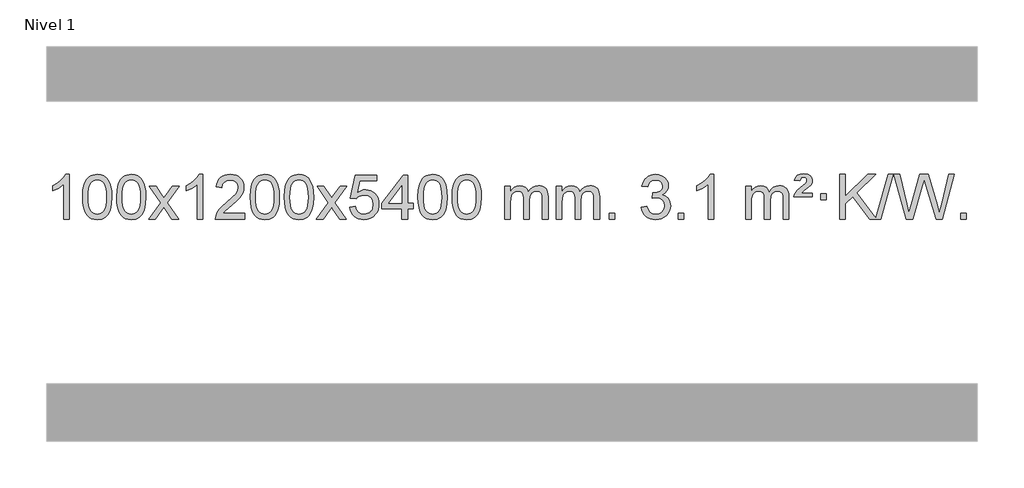
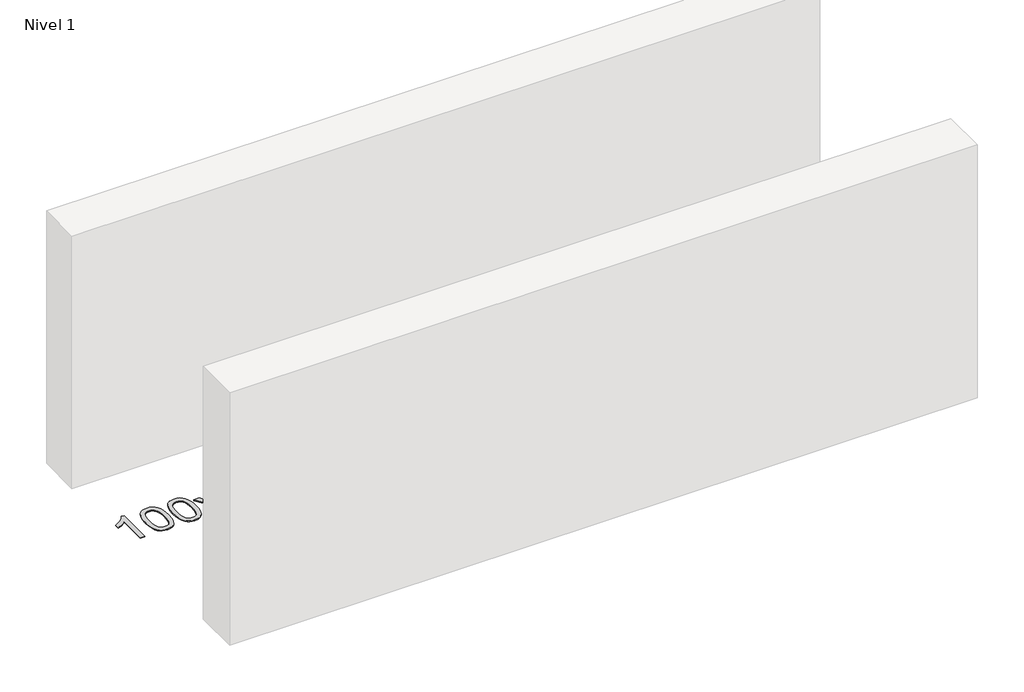
# One storey, part 4 of 15: 1 proxy.
"""IFC4 building model written with IfcOpenShell, lengths in millimetres."""

import ifcopenshell
import ifcopenshell.guid

model = None  # the IFC model being written
_history = None  # IfcOwnerHistory: only IFC2X3 demands one
_inside = {}  # id of a spatial element -> (the spatial element, [elements in it])
_under = {}  # id of a project, library or spatial element -> (it, [spatial elements below it])
_declared = {}  # id of a project -> (the project, [libraries it declares])
_typed = {}  # id of a type object -> (the type object, [elements of that type])
_made_of = {}  # id of a material, layer set ... -> (it, [elements and type objects made of it])


def new_model(schema):
    """Start an empty IFC model of exactly this schema.

    Asked for "IFC4X3", IfcOpenShell would pick the latest addendum, in which some entities
    have other attributes; the version numbers below select the first issue.
    IFC2X3 requires an IfcOwnerHistory on every rooted entity: one is made here for all.
    """
    global model, _history
    if schema == "IFC4X3":
        model = ifcopenshell.file(schema_version=(4, 3, 0, 0))
    else:
        model = ifcopenshell.file(schema=schema)
    _inside.clear()
    _under.clear()
    _declared.clear()
    _typed.clear()
    _made_of.clear()
    _history = None
    if model.schema == "IFC2X3":
        org = make("IfcOrganization", Name="unknown")
        user = make(
            "IfcPersonAndOrganization",
            ThePerson=make("IfcPerson", FamilyName="unknown"),
            TheOrganization=org,
        )
        app = make(
            "IfcApplication",
            ApplicationDeveloper=org,
            Version="unknown",
            ApplicationFullName="unknown",
            ApplicationIdentifier="unknown",
        )
        _history = make(
            "IfcOwnerHistory",
            OwningUser=user,
            OwningApplication=app,
            ChangeAction="ADDED",
            CreationDate=0,
        )
    return model


def make(cls, **values):
    """One entity of the class cls with the attributes given. An attribute that is None is left unset."""
    return model.create_entity(
        cls, **{name: value for name, value in values.items() if value is not None}
    )


def rooted(cls, **values):
    """An entity with a GlobalId (a new one), such as an element, a storey or a relation."""
    return make(cls, GlobalId=ifcopenshell.guid.new(), OwnerHistory=_history, **values)


def si_unit(unit_type, name, prefix=None):
    """IfcSIUnit, for example si_unit("LENGTHUNIT", "METRE", prefix="MILLI")."""
    return make("IfcSIUnit", UnitType=unit_type, Prefix=prefix, Name=name)


def assignment(units):
    """IfcUnitAssignment: the units of a project."""
    return None if units is None else make("IfcUnitAssignment", Units=units)


def point(xyz):
    """IfcCartesianPoint."""
    return None if xyz is None else make("IfcCartesianPoint", Coordinates=xyz)


def direction(xyz):
    """IfcDirection."""
    return None if xyz is None else make("IfcDirection", DirectionRatios=xyz)


def frame(location, z_axis=None, x_axis=None):
    """IfcAxis2Placement3D, a coordinate frame: its origin and axes. An axis left out is left unset."""
    return make(
        "IfcAxis2Placement3D",
        Location=point(location),
        Axis=direction(z_axis),
        RefDirection=direction(x_axis),
    )


def origin():
    """The frame at (0, 0, 0) with its axes left unset."""
    return frame((0.0, 0.0, 0.0))


def origin_with_axes():
    """The frame at (0, 0, 0) with the z axis (0, 0, 1) and the x axis (1, 0, 0) written out."""
    return frame((0.0, 0.0, 0.0), z_axis=(0.0, 0.0, 1.0), x_axis=(1.0, 0.0, 0.0))


def place(relative_to, where):
    """IfcLocalPlacement: puts the frame where relative to a parent placement (None: the world)."""
    return make(
        "IfcLocalPlacement", PlacementRelTo=relative_to, RelativePlacement=where
    )


def context(
    kind, dimensions, precision=None, world=None, true_north=None, identifier=None
):
    """IfcGeometricRepresentationContext, for example the 3D "Model" context."""
    return make(
        "IfcGeometricRepresentationContext",
        ContextIdentifier=identifier,
        ContextType=kind,
        CoordinateSpaceDimension=dimensions,
        Precision=precision,
        WorldCoordinateSystem=world,
        TrueNorth=true_north,
    )


def project(units=None, contexts=None):
    """IfcProject with its units and contexts."""
    return rooted(
        "IfcProject",
        Name="project",
        RepresentationContexts=contexts,
        UnitsInContext=assignment(units),
    )


def spatial(cls, under=None, at=None, **own):
    """A site, building, storey or space (cls), placed at a placement, below another one or the project."""
    s = rooted(cls, ObjectPlacement=at, **own)
    if under is not None:
        _under.setdefault(under.id(), (under, []))[1].append(s)
    return s


def polyline(points):
    """IfcPolyline through the points."""
    return make("IfcPolyline", Points=[point(p) for p in points])


def outline(outer, holes=None, kind="AREA"):
    """IfcArbitraryClosedProfileDef: a profile drawn as a closed curve; with holes, ...WithVoids."""
    if holes is None:
        return make("IfcArbitraryClosedProfileDef", ProfileType=kind, OuterCurve=outer)
    return make(
        "IfcArbitraryProfileDefWithVoids",
        ProfileType=kind,
        OuterCurve=outer,
        InnerCurves=holes,
    )


def extrude(swept, where, along, depth):
    """IfcExtrudedAreaSolid: the profile swept, set in the frame where, extruded along a direction by depth."""
    return make(
        "IfcExtrudedAreaSolid",
        SweptArea=swept,
        Position=where,
        ExtrudedDirection=direction(along),
        Depth=depth,
    )


def shape(context_of_items, identifier, shape_type, items):
    """IfcShapeRepresentation: the items that make up one representation, for example the "Body"."""
    return make(
        "IfcShapeRepresentation",
        ContextOfItems=context_of_items,
        RepresentationIdentifier=identifier,
        RepresentationType=shape_type,
        Items=items,
    )


def made_of(thing, what):
    """Note that an element or type object is made of a material, layer set ...; save() writes the relation."""
    if what is not None:
        _made_of.setdefault(what.id(), (what, []))[1].append(thing)
    return thing


def element(
    cls,
    number,
    at=None,
    inside=None,
    cuts=None,
    type_object=None,
    material=None,
    context=None,
    identifier="Body",
    shape_type=None,
    held_by="IfcProductDefinitionShape",
    body=None,
    shapes=None,
    **own,
):
    """One element of the class cls, such as IfcWall. Its Tag is "e" and its number.

    at: its placement. inside: the storey or other place that contains it. cuts: it is an
    opening in that element (IfcRelVoidsElement). A single representation is given by context,
    identifier, shape_type and body (its items); several are given by shapes. held_by: the class
    of the entity that holds the representations. save() writes the other relations.
    """
    e = rooted(cls, Tag="e%d" % number, ObjectPlacement=at, **own)
    if body is not None:
        shapes = [shape(context, identifier, shape_type, body)]
    if shapes is not None:
        e.Representation = make(held_by, Representations=shapes)
    if inside is not None:
        _inside.setdefault(inside.id(), (inside, []))[1].append(e)
    if cuts is not None:
        rooted(
            "IfcRelVoidsElement", RelatingBuildingElement=cuts, RelatedOpeningElement=e
        )
    if type_object is not None:
        _typed.setdefault(type_object.id(), (type_object, []))[1].append(e)
    return made_of(e, material)


def aggregate(whole, parts):
    """IfcRelAggregates: a whole, such as a stair, and the parts it consists of."""
    return rooted("IfcRelAggregates", RelatingObject=whole, RelatedObjects=parts)


def save(model, path):
    """Write the relations noted so far, then the file.

    IfcRelAggregates (storeys below a building ...), IfcRelContainedInSpatialStructure (elements
    in a storey), IfcRelDefinesByType, IfcRelAssociatesMaterial and IfcRelDeclares: one each for
    every whole, place, type object, material and project.
    """
    for whole, parts in _under.values():
        aggregate(whole, parts)
    for where, things in _inside.values():
        rooted(
            "IfcRelContainedInSpatialStructure",
            RelatedElements=things,
            RelatingStructure=where,
        )
    for kind, things in _typed.values():
        rooted("IfcRelDefinesByType", RelatedObjects=things, RelatingType=kind)
    for what, things in _made_of.values():
        rooted("IfcRelAssociatesMaterial", RelatedObjects=things, RelatingMaterial=what)
    for by, libraries in _declared.values():
        rooted("IfcRelDeclares", RelatingContext=by, RelatedDefinitions=libraries)
    model.write(path)


model = new_model("IFC4")

# Units and contexts
model_context = context("Model", 3, world=origin())
ifc_project = project(units=[si_unit("LENGTHUNIT", "METRE", prefix="MILLI")], contexts=[model_context])

# Site, building, storey
site = spatial("IfcSite", under=ifc_project)
building = spatial("IfcBuilding", under=site)
storey = spatial("IfcBuildingStorey", under=building, Name="Nivel 1", Elevation=0.0)

# Proxy
placement = place(None, origin())
element("IfcBuildingElementProxy", 1, Name="Texto de modelo 1", ObjectType="Texto de modelo 1", at=placement, inside=storey, context=model_context, shape_type="SweptSolid", body=[
    extrude(outline(polyline([(-25971.6378538, -9965.579453), (-26021.8660089, -9965.579453), (-26021.8660089, -9652.4382987), (-26042.8352826, -9669.3976587), (-26069.4454136, -9686.3324932), (-26122.3223191, -9711.6918254), (-26122.3223191, -9664.2105225), (-26082.8731065, -9642.7507395), (-26048.6968691, -9617.219729), (-26021.7556443, -9590.0700378), (-26004.0114694, -9563.7542124), (-25971.6378538, -9563.7542124), (-25971.6378538, -9965.579453)])), origin_with_axes(), (0.0, 0.0, 1.0), 10.0),
    extrude(outline(polyline([(-25852.3459855, -9767.9041943), (-25848.6549029, -9703.5861588), (-25837.5816548, -9652.2911459), (-25819.236606, -9613.2343407), (-25807.378543, -9598.0009605), (-25793.730121, -9585.6309284), (-25778.2453547, -9576.0598651), (-25760.8782588, -9569.2233914), (-25720.4970785, -9563.7542124), (-25689.5459399, -9566.991574), (-25661.832163, -9576.7036586), (-25638.6555973, -9592.5103217), (-25621.3160926, -9614.0314184), (-25608.2194935, -9641.0830078), (-25597.7716449, -9673.4811488), (-25590.9290398, -9714.6226186), (-25588.6481714, -9767.9041943), (-25592.3024659, -9831.8543477), (-25603.2653493, -9883.0267333), (-25621.5000336, -9922.1203266), (-25633.3305054, -9937.3996922), (-25646.9697304, -9949.8341036), (-25662.4728908, -9959.4695462), (-25679.8951689, -9966.3520052), (-25720.4970785, -9971.8579724), (-25748.1618045, -9969.4667394), (-25772.6872709, -9962.2930405), (-25794.0734775, -9950.3368757), (-25812.3204245, -9933.5982449), (-25829.8316074, -9903.3399508), (-25842.3395953, -9865.6381776), (-25849.844388, -9820.4929255), (-25852.3459855, -9767.9041943)]), holes=[polyline([(-25802.1178305, -9767.8060924), (-25800.6463025, -9811.4706195), (-25796.2317185, -9846.8148822), (-25788.8740786, -9873.8388804), (-25778.5733828, -9892.5426142), (-25766.1144459, -9905.2682656), (-25752.2820829, -9914.3580165), (-25737.0762937, -9919.8118671), (-25720.4970785, -9921.6298173), (-25703.9178632, -9919.8057357), (-25688.7120741, -9914.3334911), (-25674.8797111, -9905.2130833), (-25662.4207742, -9892.4445124), (-25652.1200783, -9873.7101217), (-25644.7624384, -9846.6922549), (-25640.3478545, -9811.3909118), (-25638.8763265, -9767.8060924), (-25640.2988035, -9725.2973278), (-25644.5662347, -9690.5753989), (-25651.6786199, -9663.6403055), (-25661.6359592, -9644.4920476), (-25673.8864297, -9631.1440625), (-25687.8782082, -9621.6097875), (-25703.6112949, -9615.8892225), (-25721.0856897, -9613.9823675), (-25737.5790658, -9615.6623619), (-25752.5273375, -9620.7023452), (-25765.9305049, -9629.1023175), (-25777.7885679, -9640.8622786), (-25788.4326203, -9661.708925), (-25796.0355148, -9689.8151094), (-25800.5972516, -9725.1808319), (-25802.1178305, -9767.8060924)])]), origin_with_axes(), (0.0, 0.0, 1.0), 10.0),
    extrude(outline(polyline([(-25544.6985357, -9767.9041943), (-25541.007453, -9703.5861588), (-25529.934205, -9652.2911459), (-25511.5891561, -9613.2343407), (-25499.7310932, -9598.0009605), (-25486.0826711, -9585.6309284), (-25470.5979048, -9576.0598651), (-25453.230809, -9569.2233914), (-25412.8496286, -9563.7542124), (-25381.8984901, -9566.991574), (-25354.1847131, -9576.7036586), (-25331.0081474, -9592.5103217), (-25313.6686427, -9614.0314184), (-25300.5720437, -9641.0830078), (-25290.1241951, -9673.4811488), (-25283.2815899, -9714.6226186), (-25281.0007216, -9767.9041943), (-25284.6550161, -9831.8543477), (-25295.6178995, -9883.0267333), (-25313.8525837, -9922.1203266), (-25325.6830556, -9937.3996922), (-25339.3222805, -9949.8341036), (-25354.825441, -9959.4695462), (-25372.2477191, -9966.3520052), (-25412.8496286, -9971.8579724), (-25440.5143547, -9969.4667394), (-25465.039821, -9962.2930405), (-25486.4260277, -9950.3368757), (-25504.6729746, -9933.5982449), (-25522.1841576, -9903.3399508), (-25534.6921454, -9865.6381776), (-25542.1969381, -9820.4929255), (-25544.6985357, -9767.9041943)]), holes=[polyline([(-25494.4703806, -9767.8060924), (-25492.9988527, -9811.4706195), (-25488.5842687, -9846.8148822), (-25481.2266288, -9873.8388804), (-25470.9259329, -9892.5426142), (-25458.466996, -9905.2682656), (-25444.634633, -9914.3580165), (-25429.4288439, -9919.8118671), (-25412.8496286, -9921.6298173), (-25396.2704134, -9919.8057357), (-25381.0646243, -9914.3334911), (-25367.2322612, -9905.2130833), (-25354.7733243, -9892.4445124), (-25344.4726285, -9873.7101217), (-25337.1149886, -9846.6922549), (-25332.7004046, -9811.3909118), (-25331.2288766, -9767.8060924), (-25332.6513537, -9725.2973278), (-25336.9187848, -9690.5753989), (-25344.0311701, -9663.6403055), (-25353.9885094, -9644.4920476), (-25366.2389799, -9631.1440625), (-25380.2307584, -9621.6097875), (-25395.9638451, -9615.8892225), (-25413.4382398, -9613.9823675), (-25429.931616, -9615.6623619), (-25444.8798877, -9620.7023452), (-25458.283055, -9629.1023175), (-25470.141118, -9640.8622786), (-25480.7851704, -9661.708925), (-25488.388065, -9689.8151094), (-25492.9498017, -9725.1808319), (-25494.4703806, -9767.8060924)])]), origin_with_axes(), (0.0, 0.0, 1.0), 10.0),
    extrude(outline(polyline([(-25255.886644, -9965.579453), (-25148.5632033, -9817.2494325), (-25249.6081246, -9670.4890419), (-25189.1773756, -9670.4890419), (-25140.4207485, -9741.122385), (-25117.6611157, -9774.4770192), (-25097.9426408, -9747.2047007), (-25042.416985, -9670.4890419), (-24981.9862359, -9670.4890419), (-25088.1324542, -9817.2494325), (-24985.9103105, -9965.579453), (-25046.3410596, -9965.579453), (-25107.8509292, -9876.4048574), (-25119.1326437, -9860.1199477), (-25195.455895, -9965.579453), (-25255.886644, -9965.579453)])), origin_with_axes(), (0.0, 0.0, 1.0), 10.0),
    extrude(outline(polyline([(-24766.1621321, -9965.579453), (-24816.3902871, -9965.579453), (-24816.3902871, -9652.4382987), (-24837.3595609, -9669.3976587), (-24863.9696918, -9686.3324932), (-24916.8465973, -9711.6918254), (-24916.8465973, -9664.2105225), (-24877.3973847, -9642.7507395), (-24843.2211473, -9617.219729), (-24816.2799225, -9590.0700378), (-24798.5357476, -9563.7542124), (-24766.1621321, -9563.7542124), (-24766.1621321, -9965.579453)])), origin_with_axes(), (0.0, 0.0, 1.0), 10.0),
    extrude(outline(polyline([(-24389.450969, -9915.3512979), (-24389.450969, -9965.579453), (-24653.1487831, -9965.579453), (-24652.0451371, -9947.8965918), (-24647.7531805, -9930.9494945), (-24635.36782, -9903.8856424), (-24617.2435004, -9877.6311307), (-24591.0257769, -9850.1503456), (-24554.3602047, -9819.4076736), (-24500.1589241, -9771.2641831), (-24467.6381557, -9735.7267824), (-24451.3777715, -9706.884834), (-24445.9576435, -9678.8277005), (-24451.0712032, -9653.6768347), (-24466.4118824, -9632.7688747), (-24489.9931183, -9618.6789943), (-24519.8283481, -9613.9823675), (-24551.1596313, -9618.5686297), (-24575.5011567, -9632.3274163), (-24591.2097179, -9654.1796068), (-24596.6421087, -9683.0460807), (-24646.8702638, -9676.7675613), (-24642.550716, -9650.838012), (-24634.6933697, -9628.1826125), (-24623.2982249, -9608.8013627), (-24608.3652816, -9592.6942627), (-24590.2378963, -9580.0329907), (-24569.2594255, -9570.989225), (-24545.4298693, -9565.5629655), (-24518.7492276, -9563.7542124), (-24491.8294626, -9565.7653006), (-24467.8711476, -9571.7985654), (-24446.8742828, -9581.8540066), (-24428.8388679, -9595.9316242), (-24414.3535144, -9612.9890861), (-24404.0068333, -9631.9840598), (-24397.7988246, -9652.9165453), (-24395.7294884, -9675.7865427), (-24397.9613058, -9699.8092369), (-24404.6567581, -9723.4149983), (-24416.5393466, -9747.4254299), (-24434.3325724, -9772.6621347), (-24462.6962742, -9802.7916701), (-24506.2902907, -9841.4805933), (-24564.0722894, -9889.795762), (-24586.7338203, -9915.3512979), (-24389.450969, -9915.3512979)])), origin_with_axes(), (0.0, 0.0, 1.0), 10.0),
    extrude(outline(polyline([(-24339.2228139, -9767.9041943), (-24335.5317312, -9703.5861588), (-24324.4584832, -9652.2911459), (-24306.1134344, -9613.2343407), (-24294.2553714, -9598.0009605), (-24280.6069494, -9585.6309284), (-24265.122183, -9576.0598651), (-24247.7550872, -9569.2233914), (-24207.3739068, -9563.7542124), (-24176.4227683, -9566.991574), (-24148.7089913, -9576.7036586), (-24125.5324257, -9592.5103217), (-24108.1929209, -9614.0314184), (-24095.0963219, -9641.0830078), (-24084.6484733, -9673.4811488), (-24077.8058681, -9714.6226186), (-24075.5249998, -9767.9041943), (-24079.1792943, -9831.8543477), (-24090.1421777, -9883.0267333), (-24108.3768619, -9922.1203266), (-24120.2073338, -9937.3996922), (-24133.8465587, -9949.8341036), (-24149.3497192, -9959.4695462), (-24166.7719973, -9966.3520052), (-24207.3739068, -9971.8579724), (-24235.0386329, -9969.4667394), (-24259.5640992, -9962.2930405), (-24280.9503059, -9950.3368757), (-24299.1972528, -9933.5982449), (-24316.7084358, -9903.3399508), (-24329.2164236, -9865.6381776), (-24336.7212164, -9820.4929255), (-24339.2228139, -9767.9041943)]), holes=[polyline([(-24288.9946588, -9767.8060924), (-24287.5231309, -9811.4706195), (-24283.1085469, -9846.8148822), (-24275.750907, -9873.8388804), (-24265.4502112, -9892.5426142), (-24252.9912742, -9905.2682656), (-24239.1589112, -9914.3580165), (-24223.9531221, -9919.8118671), (-24207.3739068, -9921.6298173), (-24190.7946916, -9919.8057357), (-24175.5889025, -9914.3334911), (-24161.7565394, -9905.2130833), (-24149.2976025, -9892.4445124), (-24138.9969067, -9873.7101217), (-24131.6392668, -9846.6922549), (-24127.2246828, -9811.3909118), (-24125.7531548, -9767.8060924), (-24127.1756319, -9725.2973278), (-24131.443063, -9690.5753989), (-24138.5554483, -9663.6403055), (-24148.5127876, -9644.4920476), (-24160.7632581, -9631.1440625), (-24174.7550366, -9621.6097875), (-24190.4881233, -9615.8892225), (-24207.962518, -9613.9823675), (-24224.4558942, -9615.6623619), (-24239.4041659, -9620.7023452), (-24252.8073333, -9629.1023175), (-24264.6653962, -9640.8622786), (-24275.3094486, -9661.708925), (-24282.9123432, -9689.8151094), (-24287.4740799, -9725.1808319), (-24288.9946588, -9767.8060924)])]), origin_with_axes(), (0.0, 0.0, 1.0), 10.0),
    extrude(outline(polyline([(-24031.5753641, -9767.9041943), (-24027.8842814, -9703.5861588), (-24016.8110333, -9652.2911459), (-23998.4659845, -9613.2343407), (-23986.6079215, -9598.0009605), (-23972.9594995, -9585.6309284), (-23957.4747332, -9576.0598651), (-23940.1076374, -9569.2233914), (-23899.726457, -9563.7542124), (-23868.7753185, -9566.991574), (-23841.0615415, -9576.7036586), (-23817.8849758, -9592.5103217), (-23800.5454711, -9614.0314184), (-23787.4488721, -9641.0830078), (-23777.0010234, -9673.4811488), (-23770.1584183, -9714.6226186), (-23767.8775499, -9767.9041943), (-23771.5318444, -9831.8543477), (-23782.4947279, -9883.0267333), (-23800.7294121, -9922.1203266), (-23812.5598839, -9937.3996922), (-23826.1991089, -9949.8341036), (-23841.7022693, -9959.4695462), (-23859.1245475, -9966.3520052), (-23899.726457, -9971.8579724), (-23927.3911831, -9969.4667394), (-23951.9166494, -9962.2930405), (-23973.302856, -9950.3368757), (-23991.549803, -9933.5982449), (-24009.060986, -9903.3399508), (-24021.5689738, -9865.6381776), (-24029.0737665, -9820.4929255), (-24031.5753641, -9767.9041943)]), holes=[polyline([(-23981.347209, -9767.8060924), (-23979.875681, -9811.4706195), (-23975.4610971, -9846.8148822), (-23968.1034572, -9873.8388804), (-23957.8027613, -9892.5426142), (-23945.3438244, -9905.2682656), (-23931.5114614, -9914.3580165), (-23916.3056723, -9919.8118671), (-23899.726457, -9921.6298173), (-23883.1472418, -9919.8057357), (-23867.9414526, -9914.3334911), (-23854.1090896, -9905.2130833), (-23841.6501527, -9892.4445124), (-23831.3494568, -9873.7101217), (-23823.9918169, -9846.6922549), (-23819.577233, -9811.3909118), (-23818.105705, -9767.8060924), (-23819.5281821, -9725.2973278), (-23823.7956132, -9690.5753989), (-23830.9079984, -9663.6403055), (-23840.8653378, -9644.4920476), (-23853.1158082, -9631.1440625), (-23867.1075868, -9621.6097875), (-23882.8406734, -9615.8892225), (-23900.3150682, -9613.9823675), (-23916.8084443, -9615.6623619), (-23931.7567161, -9620.7023452), (-23945.1598834, -9629.1023175), (-23957.0179464, -9640.8622786), (-23967.6619988, -9661.708925), (-23975.2648934, -9689.8151094), (-23979.8266301, -9725.1808319), (-23981.347209, -9767.8060924)])]), origin_with_axes(), (0.0, 0.0, 1.0), 10.0),
    extrude(outline(polyline([(-23742.7634724, -9965.579453), (-23635.4400317, -9817.2494325), (-23736.484953, -9670.4890419), (-23676.0542039, -9670.4890419), (-23627.2975769, -9741.122385), (-23604.5379441, -9774.4770192), (-23584.8194691, -9747.2047007), (-23529.2938133, -9670.4890419), (-23468.8630643, -9670.4890419), (-23575.0092826, -9817.2494325), (-23472.7871389, -9965.579453), (-23533.217888, -9965.579453), (-23594.7277575, -9876.4048574), (-23606.0094721, -9860.1199477), (-23682.3327233, -9965.579453), (-23742.7634724, -9965.579453)])), origin_with_axes(), (0.0, 0.0, 1.0), 10.0),
    extrude(outline(polyline([(-23441.394542, -9858.8446235), (-23391.1663869, -9852.5661041), (-23381.9448115, -9882.7201649), (-23365.8561056, -9904.3148381), (-23342.9738455, -9917.3010725), (-23313.3716076, -9921.6298173), (-23294.2417439, -9920.1245668), (-23277.368223, -9915.6088153), (-23262.7510451, -9908.0825628), (-23250.3902101, -9897.5458094), (-23240.5616294, -9884.519721), (-23233.5412147, -9869.5254641), (-23227.9248829, -9833.6324441), (-23233.1855954, -9799.8363514), (-23239.7614861, -9785.9181493), (-23248.967733, -9773.9865099), (-23260.834993, -9764.4154467), (-23275.393923, -9757.5789729), (-23312.5867927, -9752.1097939), (-23336.9528435, -9754.2925604), (-23356.6835812, -9760.8408599), (-23372.4411933, -9770.8717757), (-23384.8878675, -9783.5023908), (-23435.1160226, -9777.2238715), (-23391.1663869, -9570.0327318), (-23196.532286, -9570.0327318), (-23196.532286, -9620.2608869), (-23350.5522146, -9620.2608869), (-23372.0365231, -9730.919791), (-23354.3107423, -9718.2155994), (-23336.1557659, -9709.1411769), (-23317.5715937, -9703.6965234), (-23298.558226, -9701.8816388), (-23274.097139, -9704.1318504), (-23251.6287461, -9710.882485), (-23231.1530474, -9722.1335427), (-23212.6700428, -9737.8850234), (-23197.3692175, -9757.1743027), (-23186.4400566, -9779.038756), (-23179.88256, -9803.4783832), (-23177.6967278, -9830.4931844), (-23179.6648965, -9856.5147042), (-23185.5694025, -9880.7213394), (-23195.4102459, -9903.1130902), (-23209.1874266, -9923.6899565), (-23230.0585985, -9944.7634634), (-23254.4123865, -9959.8159684), (-23282.2487908, -9968.8474714), (-23313.5678114, -9971.8579724), (-23339.4881636, -9969.9235262), (-23362.9007869, -9964.1201877), (-23383.8056813, -9954.447957), (-23402.2028467, -9940.9068338), (-23417.5098034, -9924.1712688), (-23429.1440715, -9904.915712), (-23437.105651, -9883.1401636), (-23441.394542, -9858.8446235)])), origin_with_axes(), (0.0, 0.0, 1.0), 10.0),
    extrude(outline(polyline([(-22970.5055881, -9965.579453), (-22970.5055881, -9871.4016622), (-23152.5826503, -9871.4016622), (-23152.5826503, -9821.1735072), (-22957.9485494, -9570.0327318), (-22920.2774331, -9570.0327318), (-22920.2774331, -9821.1735072), (-22870.049278, -9821.1735072), (-22870.049278, -9871.4016622), (-22920.2774331, -9871.4016622), (-22920.2774331, -9965.579453), (-22970.5055881, -9965.579453)]), holes=[polyline([(-22970.5055881, -9821.1735072), (-22970.5055881, -9665.9763561), (-23090.7784751, -9821.1735072), (-22970.5055881, -9821.1735072)])]), origin_with_axes(), (0.0, 0.0, 1.0), 10.0),
    extrude(outline(polyline([(-22826.0996423, -9767.9041943), (-22822.4085596, -9703.5861588), (-22811.3353115, -9652.2911459), (-22792.9902627, -9613.2343407), (-22781.1321997, -9598.0009605), (-22767.4837777, -9585.6309284), (-22751.9990114, -9576.0598651), (-22734.6319156, -9569.2233914), (-22694.2507352, -9563.7542124), (-22663.2995967, -9566.991574), (-22635.5858197, -9576.7036586), (-22612.409254, -9592.5103217), (-22595.0697493, -9614.0314184), (-22581.9731503, -9641.0830078), (-22571.5253016, -9673.4811488), (-22564.6826965, -9714.6226186), (-22562.4018281, -9767.9041943), (-22566.0561226, -9831.8543477), (-22577.0190061, -9883.0267333), (-22595.2536903, -9922.1203266), (-22607.0841621, -9937.3996922), (-22620.7233871, -9949.8341036), (-22636.2265475, -9959.4695462), (-22653.6488257, -9966.3520052), (-22694.2507352, -9971.8579724), (-22721.9154613, -9969.4667394), (-22746.4409276, -9962.2930405), (-22767.8271343, -9950.3368757), (-22786.0740812, -9933.5982449), (-22803.5852642, -9903.3399508), (-22816.093252, -9865.6381776), (-22823.5980447, -9820.4929255), (-22826.0996423, -9767.9041943)]), holes=[polyline([(-22775.8714872, -9767.8060924), (-22774.3999592, -9811.4706195), (-22769.9853753, -9846.8148822), (-22762.6277354, -9873.8388804), (-22752.3270395, -9892.5426142), (-22739.8681026, -9905.2682656), (-22726.0357396, -9914.3580165), (-22710.8299505, -9919.8118671), (-22694.2507352, -9921.6298173), (-22677.67152, -9919.8057357), (-22662.4657308, -9914.3334911), (-22648.6333678, -9905.2130833), (-22636.1744309, -9892.4445124), (-22625.873735, -9873.7101217), (-22618.5160951, -9846.6922549), (-22614.1015112, -9811.3909118), (-22612.6299832, -9767.8060924), (-22614.0524603, -9725.2973278), (-22618.3198914, -9690.5753989), (-22625.4322767, -9663.6403055), (-22635.389616, -9644.4920476), (-22647.6400864, -9631.1440625), (-22661.631865, -9621.6097875), (-22677.3649516, -9615.8892225), (-22694.8393464, -9613.9823675), (-22711.3327225, -9615.6623619), (-22726.2809943, -9620.7023452), (-22739.6841616, -9629.1023175), (-22751.5422246, -9640.8622786), (-22762.186277, -9661.708925), (-22769.7891716, -9689.8151094), (-22774.3509083, -9725.1808319), (-22775.8714872, -9767.8060924)])]), origin_with_axes(), (0.0, 0.0, 1.0), 10.0),
    extrude(outline(polyline([(-22518.4521925, -9767.9041943), (-22514.7611098, -9703.5861588), (-22503.6878617, -9652.2911459), (-22485.3428129, -9613.2343407), (-22473.4847499, -9598.0009605), (-22459.8363279, -9585.6309284), (-22444.3515616, -9576.0598651), (-22426.9844657, -9569.2233914), (-22386.6032854, -9563.7542124), (-22355.6521469, -9566.991574), (-22327.9383699, -9576.7036586), (-22304.7618042, -9592.5103217), (-22287.4222995, -9614.0314184), (-22274.3257005, -9641.0830078), (-22263.8778518, -9673.4811488), (-22257.0352467, -9714.6226186), (-22254.7543783, -9767.9041943), (-22258.4086728, -9831.8543477), (-22269.3715563, -9883.0267333), (-22287.6062405, -9922.1203266), (-22299.4367123, -9937.3996922), (-22313.0759373, -9949.8341036), (-22328.5790977, -9959.4695462), (-22346.0013759, -9966.3520052), (-22386.6032854, -9971.8579724), (-22414.2680114, -9969.4667394), (-22438.7934778, -9962.2930405), (-22460.1796844, -9950.3368757), (-22478.4266314, -9933.5982449), (-22495.9378144, -9903.3399508), (-22508.4458022, -9865.6381776), (-22515.9505949, -9820.4929255), (-22518.4521925, -9767.9041943)]), holes=[polyline([(-22468.2240374, -9767.8060924), (-22466.7525094, -9811.4706195), (-22462.3379255, -9846.8148822), (-22454.9802856, -9873.8388804), (-22444.6795897, -9892.5426142), (-22432.2206528, -9905.2682656), (-22418.3882898, -9914.3580165), (-22403.1825006, -9919.8118671), (-22386.6032854, -9921.6298173), (-22370.0240701, -9919.8057357), (-22354.818281, -9914.3334911), (-22340.985918, -9905.2130833), (-22328.5269811, -9892.4445124), (-22318.2262852, -9873.7101217), (-22310.8686453, -9846.6922549), (-22306.4540614, -9811.3909118), (-22304.9825334, -9767.8060924), (-22306.4050104, -9725.2973278), (-22310.6724416, -9690.5753989), (-22317.7848268, -9663.6403055), (-22327.7421662, -9644.4920476), (-22339.9926366, -9631.1440625), (-22353.9844151, -9621.6097875), (-22369.7175018, -9615.8892225), (-22387.1918966, -9613.9823675), (-22403.6852727, -9615.6623619), (-22418.6335444, -9620.7023452), (-22432.0367118, -9629.1023175), (-22443.8947748, -9640.8622786), (-22454.5388272, -9661.708925), (-22462.1417217, -9689.8151094), (-22466.7034585, -9725.1808319), (-22468.2240374, -9767.8060924)])]), origin_with_axes(), (0.0, 0.0, 1.0), 10.0),
    extrude(outline(polyline([(-22041.2847192, -9965.579453), (-22041.2847192, -9670.4890419), (-21991.0565642, -9670.4890419), (-21991.0565642, -9719.0494653), (-21975.9488769, -9696.7435536), (-21956.5247076, -9679.2691589), (-21933.4462437, -9667.9751816), (-21907.375673, -9664.2105225), (-21879.4411668, -9668.048758), (-21857.0494161, -9679.5634645), (-21840.323048, -9697.9943524), (-21829.38469, -9722.5811324), (-21811.0764294, -9697.0439906), (-21790.1929948, -9678.803175), (-21766.7343862, -9667.8586857), (-21740.7006037, -9664.2105225), (-21720.592787, -9665.7280358), (-21702.9436483, -9670.2805755), (-21687.7531876, -9677.8681416), (-21675.0214048, -9688.4907342), (-21664.9567666, -9702.2709806), (-21657.7677393, -9719.3315082), (-21653.4543229, -9739.6723168), (-21652.0165174, -9763.2934066), (-21652.0165174, -9965.579453), (-21702.2446725, -9965.579453), (-21702.2446725, -9784.875817), (-21703.4096321, -9759.8230531), (-21706.9045111, -9742.9372695), (-21713.4528106, -9731.3735121), (-21723.7780319, -9722.2868268), (-21737.058572, -9716.4007149), (-21752.4728276, -9714.4386776), (-21779.6838325, -9719.4663982), (-21801.8671168, -9734.54956), (-21810.4724898, -9746.1194488), (-21816.6191848, -9760.7182326), (-21821.5365408, -9799.0024856), (-21821.5365408, -9965.579453), (-21871.7646959, -9965.579453), (-21871.7646959, -9779.2840106), (-21874.6709636, -9750.8835206), (-21883.3897669, -9730.6254854), (-21898.7304461, -9718.4853796), (-21921.5023416, -9714.4386776), (-21940.8529346, -9717.1364789), (-21958.6829486, -9725.2298828), (-21973.3982284, -9738.5226856), (-21983.4046187, -9756.8186835), (-21989.1435778, -9782.2025411), (-21991.0565642, -9816.7589232), (-21991.0565642, -9965.579453), (-22041.2847192, -9965.579453)])), origin_with_axes(), (0.0, 0.0, 1.0), 10.0),
    extrude(outline(polyline([(-21576.6742848, -9965.579453), (-21576.6742848, -9670.4890419), (-21526.4461297, -9670.4890419), (-21526.4461297, -9719.0494653), (-21511.3384425, -9696.7435536), (-21491.9142731, -9679.2691589), (-21468.8358093, -9667.9751816), (-21442.7652386, -9664.2105225), (-21414.8307324, -9668.048758), (-21392.4389816, -9679.5634645), (-21375.7126136, -9697.9943524), (-21364.7742556, -9722.5811324), (-21346.465995, -9697.0439906), (-21325.5825604, -9678.803175), (-21302.1239518, -9667.8586857), (-21276.0901693, -9664.2105225), (-21255.9823526, -9665.7280358), (-21238.3332138, -9670.2805755), (-21223.1427531, -9677.8681416), (-21210.4109704, -9688.4907342), (-21200.3463322, -9702.2709806), (-21193.1573048, -9719.3315082), (-21188.8438884, -9739.6723168), (-21187.406083, -9763.2934066), (-21187.406083, -9965.579453), (-21237.634238, -9965.579453), (-21237.634238, -9784.875817), (-21238.7991977, -9759.8230531), (-21242.2940767, -9742.9372695), (-21248.8423762, -9731.3735121), (-21259.1675975, -9722.2868268), (-21272.4481375, -9716.4007149), (-21287.8623931, -9714.4386776), (-21315.073398, -9719.4663982), (-21337.2566823, -9734.54956), (-21345.8620553, -9746.1194488), (-21352.0087503, -9760.7182326), (-21356.9261064, -9799.0024856), (-21356.9261064, -9965.579453), (-21407.1542614, -9965.579453), (-21407.1542614, -9779.2840106), (-21410.0605292, -9750.8835206), (-21418.7793325, -9730.6254854), (-21434.1200117, -9718.4853796), (-21456.8919072, -9714.4386776), (-21476.2425001, -9717.1364789), (-21494.0725142, -9725.2298828), (-21508.787794, -9738.5226856), (-21518.7941842, -9756.8186835), (-21524.5331434, -9782.2025411), (-21526.4461297, -9816.7589232), (-21526.4461297, -9965.579453), (-21576.6742848, -9965.579453)])), origin_with_axes(), (0.0, 0.0, 1.0), 10.0),
    extrude(outline(polyline([(-21099.5068116, -9965.579453), (-21099.5068116, -9915.3512979), (-21049.2786565, -9915.3512979), (-21049.2786565, -9965.579453), (-21099.5068116, -9965.579453)])), origin_with_axes(), (0.0, 0.0, 1.0), 10.0),
    extrude(outline(polyline([(-20810.6949199, -9858.8446235), (-20760.4667648, -9852.5661041), (-20749.2218385, -9884.1303793), (-20732.7529879, -9905.4430095), (-20710.2508725, -9917.5831154), (-20680.906152, -9921.6298173), (-20646.4723973, -9916.0625364), (-20632.1985759, -9909.1034354), (-20619.8867917, -9899.3606939), (-20602.8906436, -9874.4428201), (-20597.2252608, -9844.2274455), (-20602.8415926, -9815.5449126), (-20619.690588, -9792.2825078), (-20645.197073, -9776.8682522), (-20676.7858737, -9771.730167), (-20712.0044433, -9777.2238715), (-20706.412637, -9726.9957164), (-20698.3682841, -9727.5843276), (-20668.2755368, -9723.979084), (-20641.3711003, -9713.1633534), (-20630.2978522, -9704.9841103), (-20622.3883893, -9694.8673555), (-20617.6427116, -9682.8130888), (-20616.060819, -9668.8213102), (-20620.6470812, -9647.1285352), (-20634.4058678, -9629.5315131), (-20655.399667, -9617.8696539), (-20681.6909669, -9613.9823675), (-20708.0313178, -9617.9064421), (-20729.5646772, -9629.6786659), (-20745.2855012, -9649.299039), (-20754.1882455, -9676.7675613), (-20804.4164005, -9670.4890419), (-20798.4628436, -9646.5092672), (-20789.6275443, -9625.3867093), (-20777.9105028, -9607.1213683), (-20763.3117189, -9591.713244), (-20746.2910453, -9579.4811677), (-20727.3083343, -9570.7439703), (-20706.3635861, -9565.5016519), (-20683.4568005, -9563.7542124), (-20651.8802626, -9567.2000404), (-20622.8788986, -9577.5375245), (-20598.4270087, -9593.8469596), (-20580.4988928, -9615.2086408), (-20569.4992211, -9639.8199463), (-20565.8326639, -9665.8782543), (-20569.3152801, -9690.1584659), (-20579.7631288, -9712.1823347), (-20597.0290571, -9730.9443165), (-20620.9659123, -9745.4388671), (-20589.5242644, -9758.1430586), (-20566.2250714, -9779.77452), (-20551.8040972, -9809.1560286), (-20546.9971058, -9845.1103623), (-20549.4006015, -9870.5923218), (-20556.6110886, -9894.0631931), (-20568.6285671, -9915.5229762), (-20585.453037, -9934.971671), (-20605.9501955, -9951.1094278), (-20628.9857398, -9962.636397), (-20654.5596698, -9969.5525785), (-20682.6719856, -9971.8579724), (-20708.0803687, -9969.8898037), (-20731.232409, -9963.9852977), (-20752.1281063, -9954.1444543), (-20770.7674607, -9940.3672736), (-20786.3963141, -9923.4630959), (-20798.2605085, -9904.2412617), (-20806.3600437, -9882.7017708), (-20810.6949199, -9858.8446235)])), origin_with_axes(), (0.0, 0.0, 1.0), 10.0),
    extrude(outline(polyline([(-20477.9333925, -9965.579453), (-20477.9333925, -9915.3512979), (-20427.7052375, -9915.3512979), (-20427.7052375, -9965.579453), (-20477.9333925, -9965.579453)])), origin_with_axes(), (0.0, 0.0, 1.0), 10.0),
    extrude(outline(polyline([(-20157.7289039, -9965.579453), (-20207.957059, -9965.579453), (-20207.957059, -9652.4382987), (-20228.9263327, -9669.3976587), (-20255.5364637, -9686.3324932), (-20308.4133692, -9711.6918254), (-20308.4133692, -9664.2105225), (-20268.9641565, -9642.7507395), (-20234.7879192, -9617.219729), (-20207.8466944, -9590.0700378), (-20190.1025195, -9563.7542124), (-20157.7289039, -9563.7542124), (-20157.7289039, -9965.579453)])), origin_with_axes(), (0.0, 0.0, 1.0), 10.0),
    extrude(outline(polyline([(-19868.9170123, -9965.579453), (-19868.9170123, -9670.4890419), (-19818.6888572, -9670.4890419), (-19818.6888572, -9719.0494653), (-19803.5811699, -9696.7435536), (-19784.1570006, -9679.2691589), (-19761.0785367, -9667.9751816), (-19735.007966, -9664.2105225), (-19707.0734598, -9668.048758), (-19684.6817091, -9679.5634645), (-19667.955341, -9697.9943524), (-19657.016983, -9722.5811324), (-19638.7087224, -9697.0439906), (-19617.8252878, -9678.803175), (-19594.3666793, -9667.8586857), (-19568.3328967, -9664.2105225), (-19548.22508, -9665.7280358), (-19530.5759413, -9670.2805755), (-19515.3854806, -9677.8681416), (-19502.6536979, -9688.4907342), (-19492.5890596, -9702.2709806), (-19485.4000323, -9719.3315082), (-19481.0866159, -9739.6723168), (-19479.6488104, -9763.2934066), (-19479.6488104, -9965.579453), (-19529.8769655, -9965.579453), (-19529.8769655, -9784.875817), (-19531.0419252, -9759.8230531), (-19534.5368041, -9742.9372695), (-19541.0851036, -9731.3735121), (-19551.410325, -9722.2868268), (-19564.690865, -9716.4007149), (-19580.1051206, -9714.4386776), (-19607.3161255, -9719.4663982), (-19629.4994098, -9734.54956), (-19638.1047828, -9746.1194488), (-19644.2514778, -9760.7182326), (-19649.1688338, -9799.0024856), (-19649.1688338, -9965.579453), (-19699.3969889, -9965.579453), (-19699.3969889, -9779.2840106), (-19702.3032566, -9750.8835206), (-19711.0220599, -9730.6254854), (-19726.3627391, -9718.4853796), (-19749.1346346, -9714.4386776), (-19768.4852276, -9717.1364789), (-19786.3152416, -9725.2298828), (-19801.0305214, -9738.5226856), (-19811.0369117, -9756.8186835), (-19816.7758708, -9782.2025411), (-19818.6888572, -9816.7589232), (-19818.6888572, -9965.579453), (-19868.9170123, -9965.579453)])), origin_with_axes(), (0.0, 0.0, 1.0), 10.0),
    extrude(outline(polyline([(-19435.6991747, -9764.6668327), (-19431.873202, -9748.8479069), (-19423.5345434, -9732.9799302), (-19402.0257094, -9707.8413272), (-19370.0690268, -9680.1030247), (-19325.9231874, -9642.726214), (-19318.7862767, -9631.1992448), (-19316.4073064, -9619.3779701), (-19318.2957673, -9607.2869152), (-19323.9611501, -9597.5012541), (-19333.3298782, -9591.026531), (-19346.3283754, -9588.8682899), (-19358.7627868, -9590.4869707), (-19367.6164802, -9595.343013), (-19374.0421523, -9604.8098431), (-19379.1925003, -9620.2608869), (-19429.4206554, -9613.9823675), (-19418.5803992, -9588.7701881), (-19401.952133, -9571.2099542), (-19378.1869562, -9560.9092583), (-19345.9359679, -9557.475693), (-19310.1533125, -9561.6082341), (-19285.407117, -9574.0058573), (-19270.9861428, -9592.3386434), (-19266.1791514, -9614.2766731), (-19270.2749042, -9637.1834586), (-19282.5621629, -9658.8149199), (-19303.0899782, -9678.6314968), (-19339.5593467, -9706.6886303), (-19365.1639335, -9733.2742358), (-19266.1791514, -9733.2742358), (-19266.1791514, -9764.6668327), (-19435.6991747, -9764.6668327)])), origin_with_axes(), (0.0, 0.0, 1.0), 10.0),
    extrude(outline(polyline([(-19190.8369188, -9789.7809102), (-19190.8369188, -9739.5527552), (-19140.6087637, -9739.5527552), (-19140.6087637, -9789.7809102), (-19190.8369188, -9789.7809102)])), origin_with_axes(), (0.0, 0.0, 1.0), 10.0),
    extrude(outline(polyline([(-18749.9671357, -9965.579453), (-18903.3984532, -9762.9009991), (-18971.0887403, -9827.4520265), (-18971.0887403, -9965.579453), (-19021.3168954, -9965.579453), (-19021.3168954, -9563.7542124), (-18971.0887403, -9563.7542124), (-18971.0887403, -9760.4484525), (-18765.074823, -9563.7542124), (-18694.8338874, -9563.7542124), (-18867.7874761, -9728.9577537), (-18693.1338662, -9959.5349332), (-18581.8205385, -9563.7542124), (-18536.4974767, -9563.7542124), (-18649.5108256, -9965.579453), (-18688.555368, -9965.579453), (-18694.8338874, -9965.579453), (-18749.9671357, -9965.579453)])), origin_with_axes(), (0.0, 0.0, 1.0), 10.0),
    extrude(outline(polyline([(-18422.0125998, -9965.579453), (-18531.5923834, -9563.7542124), (-18479.7945985, -9563.7542124), (-18416.2245897, -9827.844434), (-18396.6042166, -9909.3670841), (-18375.6104174, -9837.2622131), (-18295.9517027, -9563.7542124), (-18221.2961832, -9563.7542124), (-18163.4160826, -9762.0180823), (-18138.6208361, -9835.5944814), (-18120.3493637, -9909.3670841), (-18101.3176018, -9830.1988788), (-18037.1589819, -9563.7542124), (-17985.361197, -9563.7542124), (-18095.0390825, -9965.579453), (-18148.7008028, -9965.579453), (-18245.0368346, -9655.5775584), (-18258.4767902, -9612.3146358), (-18273.5844774, -9664.4067263), (-18361.385647, -9965.579453), (-18422.0125998, -9965.579453)])), origin_with_axes(), (0.0, 0.0, 1.0), 10.0),
    extrude(outline(polyline([(-17928.8545225, -9965.579453), (-17928.8545225, -9915.3512979), (-17878.6263674, -9915.3512979), (-17878.6263674, -9965.579453), (-17928.8545225, -9965.579453)])), origin_with_axes(), (0.0, 0.0, 1.0), 10.0),
])

save(model, "model.ifc")
